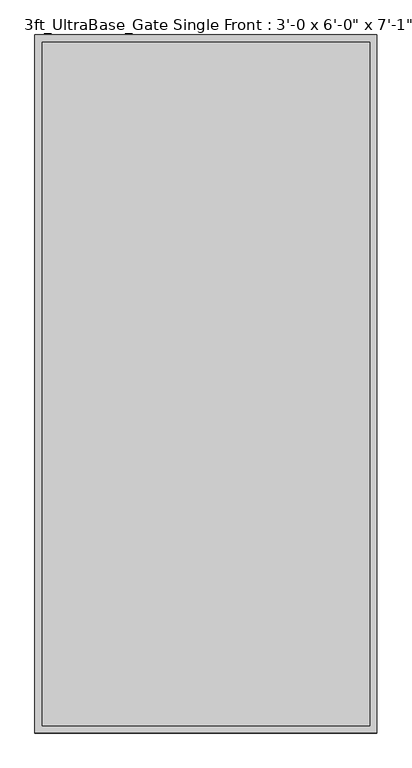
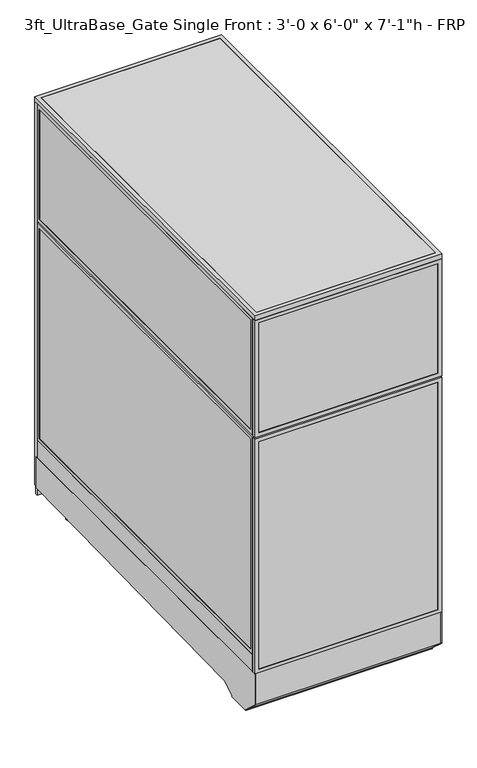
"""IFC4 building model written with IfcOpenShell, lengths in millimetres: proxy geometry."""

from ifc_helpers import new_model, si_unit, point, frame, frame_2d, origin, origin_with_axes, place, context, project, spatial, polyline, circle_curve, trimmed, segment, composite_curve, outline, extrude, source, transform, mapped, element, save


def proxy_c0deea5f(model_context):
    return source(origin(), model_context, "Body", "SweptSolid", [
        extrude(outline(composite_curve([segment(trimmed(circle_curve(frame_2d((121.1505315, 350.6380208)), 38.1), [point((83.0505315, 350.6380208))], [point((159.2505315, 350.6380208))], False, "CARTESIAN"), True, "CONTINUOUS"), segment(trimmed(circle_curve(frame_2d((121.1505315, 350.6380208)), 38.1), [point((159.2505315, 350.6380208))], [point((83.0505315, 350.6380208))], False, "CARTESIAN"), True, "CONTINUOUS")], self_intersect=False)), frame((0.0, 0.0, 103.9931848), z_axis=(0.0, 0.0, 1.0), x_axis=(1.0, 0.0, 0.0)), (0.0, 0.0, 1.0), 12.9784433),
        extrude(outline(composite_curve([segment(trimmed(circle_curve(frame_2d((121.1505315, 350.6380208)), 12.7), [point((108.4505315, 350.6380208))], [point((133.8505315, 350.6380208))], False, "CARTESIAN"), True, "CONTINUOUS"), segment(trimmed(circle_curve(frame_2d((121.1505315, 350.6380208)), 12.7), [point((133.8505315, 350.6380208))], [point((108.4505315, 350.6380208))], False, "CARTESIAN"), True, "CONTINUOUS")], self_intersect=False)), frame((0.0, 0.0, 6.35), z_axis=(0.0, 0.0, 1.0), x_axis=(1.0, 0.0, 0.0)), (0.0, 0.0, 1.0), 97.6431848),
        extrude(outline(composite_curve([segment(trimmed(circle_curve(frame_2d((121.1505315, 350.6380208)), 25.4), [point((95.7505315, 350.6380208))], [point((146.5505315, 350.6380208))], False, "CARTESIAN"), True, "CONTINUOUS"), segment(trimmed(circle_curve(frame_2d((121.1505315, 350.6380208)), 25.4), [point((146.5505315, 350.6380208))], [point((95.7505315, 350.6380208))], False, "CARTESIAN"), True, "CONTINUOUS")], self_intersect=False)), origin_with_axes(), (0.0, 0.0, 1.0), 6.35),
        extrude(outline(composite_curve([segment(trimmed(circle_curve(frame_2d((806.9505315, 350.6380208)), 38.1), [point((768.8505315, 350.6380208))], [point((845.0505315, 350.6380208))], False, "CARTESIAN"), True, "CONTINUOUS"), segment(trimmed(circle_curve(frame_2d((806.9505315, 350.6380208)), 38.1), [point((845.0505315, 350.6380208))], [point((768.8505315, 350.6380208))], False, "CARTESIAN"), True, "CONTINUOUS")], self_intersect=False)), frame((0.0, 0.0, 103.9931848), z_axis=(0.0, 0.0, 1.0), x_axis=(1.0, 0.0, 0.0)), (0.0, 0.0, 1.0), 12.9784433),
        extrude(outline(composite_curve([segment(trimmed(circle_curve(frame_2d((806.9505315, 350.6380208)), 12.7), [point((794.2505315, 350.6380208))], [point((819.6505315, 350.6380208))], False, "CARTESIAN"), True, "CONTINUOUS"), segment(trimmed(circle_curve(frame_2d((806.9505315, 350.6380208)), 12.7), [point((819.6505315, 350.6380208))], [point((794.2505315, 350.6380208))], False, "CARTESIAN"), True, "CONTINUOUS")], self_intersect=False)), frame((0.0, 0.0, 6.35), z_axis=(0.0, 0.0, 1.0), x_axis=(1.0, 0.0, 0.0)), (0.0, 0.0, 1.0), 97.6431848),
        extrude(outline(composite_curve([segment(trimmed(circle_curve(frame_2d((806.9505315, 350.6380208)), 25.4), [point((781.5505315, 350.6380208))], [point((832.3505315, 350.6380208))], False, "CARTESIAN"), True, "CONTINUOUS"), segment(trimmed(circle_curve(frame_2d((806.9505315, 350.6380208)), 25.4), [point((832.3505315, 350.6380208))], [point((781.5505315, 350.6380208))], False, "CARTESIAN"), True, "CONTINUOUS")], self_intersect=False)), origin_with_axes(), (0.0, 0.0, 1.0), 6.35),
        extrude(outline(composite_curve([segment(trimmed(circle_curve(frame_2d((120.4666548, 1746.332592)), 38.1), [point((82.3666548, 1746.332592))], [point((158.5666548, 1746.332592))], False, "CARTESIAN"), True, "CONTINUOUS"), segment(trimmed(circle_curve(frame_2d((120.4666548, 1746.332592)), 38.1), [point((158.5666548, 1746.332592))], [point((82.3666548, 1746.332592))], False, "CARTESIAN"), True, "CONTINUOUS")], self_intersect=False)), frame((0.0, 0.0, 135.7431848), z_axis=(0.0, 0.0, 1.0), x_axis=(1.0, 0.0, 0.0)), (0.0, 0.0, 1.0), 12.9784433),
        extrude(outline(composite_curve([segment(trimmed(circle_curve(frame_2d((120.4666548, 1746.332592)), 12.7), [point((107.7666548, 1746.332592))], [point((133.1666548, 1746.332592))], False, "CARTESIAN"), True, "CONTINUOUS"), segment(trimmed(circle_curve(frame_2d((120.4666548, 1746.332592)), 12.7), [point((133.1666548, 1746.332592))], [point((107.7666548, 1746.332592))], False, "CARTESIAN"), True, "CONTINUOUS")], self_intersect=False)), frame((0.0, 0.0, 6.35), z_axis=(0.0, 0.0, 1.0), x_axis=(1.0, 0.0, 0.0)), (0.0, 0.0, 1.0), 129.3931848),
        extrude(outline(composite_curve([segment(trimmed(circle_curve(frame_2d((120.4666548, 1746.332592)), 25.4), [point((95.0666548, 1746.332592))], [point((145.8666548, 1746.332592))], False, "CARTESIAN"), True, "CONTINUOUS"), segment(trimmed(circle_curve(frame_2d((120.4666548, 1746.332592)), 25.4), [point((145.8666548, 1746.332592))], [point((95.0666548, 1746.332592))], False, "CARTESIAN"), True, "CONTINUOUS")], self_intersect=False)), origin_with_axes(), (0.0, 0.0, 1.0), 6.35),
        extrude(outline(composite_curve([segment(trimmed(circle_curve(frame_2d((806.2666548, 1746.332592)), 38.1), [point((768.1666548, 1746.332592))], [point((844.3666548, 1746.332592))], False, "CARTESIAN"), True, "CONTINUOUS"), segment(trimmed(circle_curve(frame_2d((806.2666548, 1746.332592)), 38.1), [point((844.3666548, 1746.332592))], [point((768.1666548, 1746.332592))], False, "CARTESIAN"), True, "CONTINUOUS")], self_intersect=False)), frame((0.0, 0.0, 135.7431848), z_axis=(0.0, 0.0, 1.0), x_axis=(1.0, 0.0, 0.0)), (0.0, 0.0, 1.0), 12.9784433),
        extrude(outline(composite_curve([segment(trimmed(circle_curve(frame_2d((806.2666548, 1746.332592)), 12.7), [point((793.5666548, 1746.332592))], [point((818.9666548, 1746.332592))], False, "CARTESIAN"), True, "CONTINUOUS"), segment(trimmed(circle_curve(frame_2d((806.2666548, 1746.332592)), 12.7), [point((818.9666548, 1746.332592))], [point((793.5666548, 1746.332592))], False, "CARTESIAN"), True, "CONTINUOUS")], self_intersect=False)), frame((0.0, 0.0, 6.35), z_axis=(0.0, 0.0, 1.0), x_axis=(1.0, 0.0, 0.0)), (0.0, 0.0, 1.0), 129.3931848),
        extrude(outline(composite_curve([segment(trimmed(circle_curve(frame_2d((806.2666548, 1746.332592)), 25.4), [point((780.8666548, 1746.332592))], [point((831.6666548, 1746.332592))], False, "CARTESIAN"), True, "CONTINUOUS"), segment(trimmed(circle_curve(frame_2d((806.2666548, 1746.332592)), 25.4), [point((831.6666548, 1746.332592))], [point((780.8666548, 1746.332592))], False, "CARTESIAN"), True, "CONTINUOUS")], self_intersect=False)), origin_with_axes(), (0.0, 0.0, 1.0), 6.35),
        extrude(outline(polyline([(-19.05, 304.8), (1835.15, 304.8), (1835.15, 144.6534225), (238.733612, 113.4956461), (175.3928625, 76.9258473), (175.3928625, 69.0977369), (59.8970382, 69.0977369), (59.8970382, 73.3553835), (-19.05, 144.439616), (-19.05, 304.8)])), frame((0.0, 0.0, 0.0), z_axis=(1.0, 0.0, 0.0), x_axis=(0.0, 1.0, 0.0)), (0.0, 0.0, 1.0), 3.175),
        extrude(outline(polyline([(-19.05, 304.8), (1835.15, 304.8), (1835.15, 144.6534225), (238.733612, 113.4956461), (175.3928625, 76.9258473), (175.3928625, 69.0977369), (59.8970382, 69.0977369), (59.8970382, 73.3553835), (-19.05, 144.439616), (-19.05, 304.8)])), frame((911.225, 0.0, 0.0), z_axis=(1.0, 0.0, 0.0), x_axis=(0.0, 1.0, 0.0)), (0.0, 0.0, 1.0), 3.175),
        extrude(outline(polyline([(1835.15, 104.78262), (1835.15, 144.7169051), (238.733612, 113.4956461), (175.3928625, 76.9258473), (175.3928625, 69.0977369), (59.8970382, 69.0977369), (59.8970382, 73.3553835), (-19.05, 144.439616), (-19.05, 304.8), (-10.9434074, 304.8), (-10.9434074, 236.4996867), (-5.6766373, 236.4996867), (-2.6025146, 148.4683295), (68.18203, 84.7336392), (68.18203, 79.4164869), (167.804636, 79.4164869), (167.804636, 86.088281), (237.0845322, 126.0870477), (1847.85, 157.7730306), (1847.85, 104.78262), (1835.15, 104.78262)])), frame((3.175, 0.0, 0.0), z_axis=(1.0, 0.0, 0.0), x_axis=(0.0, 1.0, 0.0)), (0.0, 0.0, 1.0), 908.05),
        extrude(outline(polyline([(60.3189838, 1846.2625), (854.0810162, 1846.2625), (854.0810162, 1830.3875), (60.3189838, 1830.3875), (60.3189838, 1846.2625)])), frame((0.0, 0.0, 212.725), z_axis=(0.0, 0.0, 1.0), x_axis=(1.0, 0.0, 0.0)), (0.0, 0.0, 1.0), 1860.55),
        extrude(outline(polyline([(193.675, 41.2689838), (193.675, 873.1310162), (2092.325, 873.1310162), (2092.325, 41.2689838), (193.675, 41.2689838)]), holes=[polyline([(2073.275, 854.0810162), (212.725, 854.0810162), (212.725, 60.3189838), (2073.275, 60.3189838), (2073.275, 854.0810162)])]), frame((0.0, 1828.8, 0.0), z_axis=(0.0, 1.0, 0.0), x_axis=(0.0, 0.0, 1.0)), (0.0, 0.0, 1.0), 19.05),
        extrude(outline(polyline([(152.4, 0.0), (152.4, 914.4), (2133.6, 914.4), (2133.6, 0.0), (152.4, 0.0)]), holes=[polyline([(2114.55, 19.05), (2114.55, 895.35), (171.45, 895.35), (171.45, 19.05), (2114.55, 19.05)])]), frame((0.0, 1828.8, 0.0), z_axis=(0.0, 1.0, 0.0), x_axis=(0.0, 0.0, 1.0)), (0.0, 0.0, 1.0), 19.05),
        extrude(outline(polyline([(1519.2375, 914.4), (1519.2375, 0.0), (304.8, 0.0), (304.8, 914.4), (1519.2375, 914.4)]), holes=[polyline([(323.85, 895.35), (323.85, 19.05), (1500.1875, 19.05), (1500.1875, 895.35), (323.85, 895.35)])]), frame((0.0, -19.05, 0.0), z_axis=(0.0, 1.0, 0.0), x_axis=(0.0, 0.0, 1.0)), (0.0, 0.0, 1.0), 19.05),
        extrude(outline(polyline([(1528.7625, 914.4), (2133.6, 914.4), (2133.6, 0.0), (1528.7625, 0.0), (1528.7625, 914.4)]), holes=[polyline([(2114.55, 895.35), (1547.8125, 895.35), (1547.8125, 19.05), (2114.55, 19.05), (2114.55, 895.35)])]), frame((0.0, -19.05, 0.0), z_axis=(0.0, 1.0, 0.0), x_axis=(0.0, 0.0, 1.0)), (0.0, 0.0, 1.0), 19.05),
        extrude(outline(polyline([(895.35, -17.4625), (19.05, -17.4625), (19.05, -1.5875), (895.35, -1.5875), (895.35, -17.4625)])), frame((0.0, 0.0, 323.85), z_axis=(0.0, 0.0, 1.0), x_axis=(1.0, 0.0, 0.0)), (0.0, 0.0, 1.0), 1176.3375),
        extrude(outline(polyline([(895.35, -17.4625), (19.05, -17.4625), (19.05, -1.5875), (895.35, -1.5875), (895.35, -17.4625)])), frame((0.0, 0.0, 1547.8125), z_axis=(0.0, 0.0, 1.0), x_axis=(1.0, 0.0, 0.0)), (0.0, 0.0, 1.0), 566.7375),
        extrude(outline(polyline([(895.35, 0.0), (895.35, 1828.8), (914.4, 1828.8), (914.4, 0.0), (895.35, 0.0)])), frame((0.0, 0.0, 304.8), z_axis=(0.0, 0.0, 1.0), x_axis=(1.0, 0.0, 0.0)), (0.0, 0.0, 1.0), 88.9),
        extrude(outline(polyline([(1828.8, 393.7), (0.0, 393.7), (0.0, 1519.2375), (1828.8, 1519.2375), (1828.8, 393.7)]), holes=[polyline([(1809.75, 1500.1875), (19.05, 1500.1875), (19.05, 412.75), (1809.75, 412.75), (1809.75, 1500.1875)])]), frame((895.35, 0.0, 0.0), z_axis=(1.0, 0.0, 0.0), x_axis=(0.0, 1.0, 0.0)), (0.0, 0.0, 1.0), 19.05),
        extrude(outline(polyline([(0.0, 1528.7625), (0.0, 2133.6), (1828.8, 2133.6), (1828.8, 1528.7625), (0.0, 1528.7625)]), holes=[polyline([(19.05, 2114.55), (19.05, 1547.8125), (1809.75, 1547.8125), (1809.75, 2114.55), (19.05, 2114.55)])]), frame((895.35, 0.0, 0.0), z_axis=(1.0, 0.0, 0.0), x_axis=(0.0, 1.0, 0.0)), (0.0, 0.0, 1.0), 19.05),
        extrude(outline(polyline([(896.9375, 19.05), (896.9375, 1809.75), (912.8125, 1809.75), (912.8125, 19.05), (896.9375, 19.05)])), frame((0.0, 0.0, 412.75), z_axis=(0.0, 0.0, 1.0), x_axis=(1.0, 0.0, 0.0)), (0.0, 0.0, 1.0), 1087.4375),
        extrude(outline(polyline([(896.9375, 19.05), (896.9375, 1809.75), (912.8125, 1809.75), (912.8125, 19.05), (896.9375, 19.05)])), frame((0.0, 0.0, 1547.8125), z_axis=(0.0, 0.0, 1.0), x_axis=(1.0, 0.0, 0.0)), (0.0, 0.0, 1.0), 566.7375),
        extrude(outline(polyline([(0.0, 0.0), (0.0, 1828.8), (19.05, 1828.8), (19.05, 0.0), (0.0, 0.0)])), frame((0.0, 0.0, 304.8), z_axis=(0.0, 0.0, 1.0), x_axis=(1.0, 0.0, 0.0)), (0.0, 0.0, 1.0), 88.9),
        extrude(outline(polyline([(1828.8, 393.7), (0.0, 393.7), (0.0, 1519.2375), (1828.8, 1519.2375), (1828.8, 393.7)]), holes=[polyline([(1809.75, 1500.1875), (19.05, 1500.1875), (19.05, 412.75), (1809.75, 412.75), (1809.75, 1500.1875)])]), frame((0.0, 0.0, 0.0), z_axis=(1.0, 0.0, 0.0), x_axis=(0.0, 1.0, 0.0)), (0.0, 0.0, 1.0), 19.05),
        extrude(outline(polyline([(0.0, 1528.7625), (0.0, 2133.6), (1828.8, 2133.6), (1828.8, 1528.7625), (0.0, 1528.7625)]), holes=[polyline([(19.05, 2114.55), (19.05, 1547.8125), (1809.75, 1547.8125), (1809.75, 2114.55), (19.05, 2114.55)])]), frame((0.0, 0.0, 0.0), z_axis=(1.0, 0.0, 0.0), x_axis=(0.0, 1.0, 0.0)), (0.0, 0.0, 1.0), 19.05),
        extrude(outline(polyline([(1.5875, 19.05), (1.5875, 1809.75), (17.4625, 1809.75), (17.4625, 19.05), (1.5875, 19.05)])), frame((0.0, 0.0, 412.75), z_axis=(0.0, 0.0, 1.0), x_axis=(1.0, 0.0, 0.0)), (0.0, 0.0, 1.0), 1087.4375),
        extrude(outline(polyline([(1.5875, 19.05), (1.5875, 1809.75), (17.4625, 1809.75), (17.4625, 19.05), (1.5875, 19.05)])), frame((0.0, 0.0, 1547.8125), z_axis=(0.0, 0.0, 1.0), x_axis=(1.0, 0.0, 0.0)), (0.0, 0.0, 1.0), 566.7375),
        extrude(outline(polyline([(882.65, 622.3), (882.65, 609.6), (31.75, 609.6), (31.75, 622.3), (882.65, 622.3)])), frame((0.0, 0.0, 152.4), z_axis=(0.0, 0.0, 1.0), x_axis=(1.0, 0.0, 0.0)), (0.0, 0.0, 1.0), 152.4),
        extrude(outline(polyline([(882.65, 622.3), (882.65, 12.7), (31.75, 12.7), (31.75, 622.3), (882.65, 622.3)])), frame((0.0, 0.0, 304.8), z_axis=(0.0, 0.0, 1.0), x_axis=(1.0, 0.0, 0.0)), (0.0, 0.0, 1.0), 12.7),
        extrude(outline(polyline([(0.0, -19.05), (0.0, 1847.85), (914.4, 1847.85), (914.4, -19.05), (0.0, -19.05)]), holes=[polyline([(19.05, 0.0), (895.35, 0.0), (895.35, 1828.8), (19.05, 1828.8), (19.05, 0.0)])]), frame((0.0, 0.0, 2133.6), z_axis=(0.0, 0.0, 1.0), x_axis=(1.0, 0.0, 0.0)), (0.0, 0.0, 1.0), 25.4),
        extrude(outline(polyline([(895.35, 1828.8), (895.35, 0.0), (19.05, 0.0), (19.05, 1828.8), (895.35, 1828.8)])), frame((0.0, 0.0, 2133.6), z_axis=(0.0, 0.0, 1.0), x_axis=(1.0, 0.0, 0.0)), (0.0, 0.0, 1.0), 25.4),
    ])


if __name__ == "__main__":
    model = new_model("IFC4")
    model_context = context("Model", 3, world=origin())
    ifc_project = project(units=[si_unit("LENGTHUNIT", "METRE", prefix="MILLI")], contexts=[model_context])
    site = spatial("IfcSite", under=ifc_project)
    building = spatial("IfcBuilding", under=site)
    placement = place(None, origin())
    proxy_shape = proxy_c0deea5f(model_context)
    element("IfcBuildingElementProxy", 1, Name="3ft_UltraBase_Gate Single Front : 3'-0 x 6'-0\" x 7'-1\"h - FRP", ObjectType="3ft_UltraBase_Gate Single Front : 3'-0 x 6'-0\" x 7'-1\"h - FRP", at=placement, inside=building, context=model_context, shape_type="MappedRepresentation", body=[
        mapped(proxy_shape, transform((0.0, 0.0, 0.0), x_axis=(1.0, 0.0, 0.0), y_axis=(0.0, 1.0, 0.0), z_axis=(0.0, 0.0, 1.0))),
    ])
    save(model, "model.ifc")
